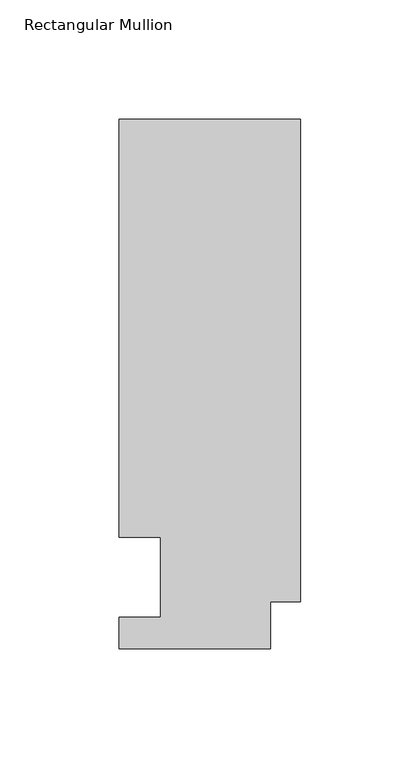
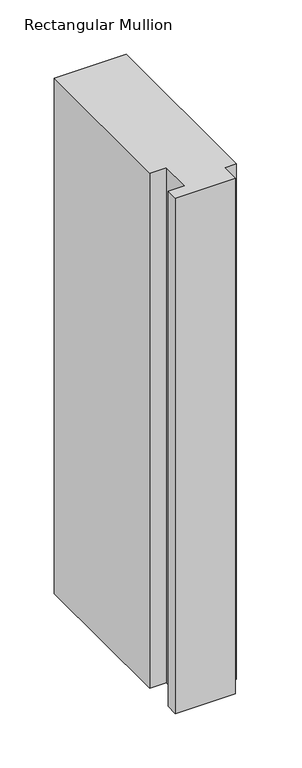
"""IFC4 building model written with IfcOpenShell, lengths in millimetres: member geometry, Rectangular Mullion."""

from ifc_helpers import new_model, si_unit, frame, origin, place, context, project, spatial, polyline, outline, extrude, source, transform, mapped, element, save


def rectangular_mullion_f6fed55e(model_context):
    return source(origin(), model_context, "Body", "SweptSolid", [
        extrude(outline(polyline([(0.0, 222.0301312), (0.0, 19.5667312), (-12.7, 19.5667312), (-12.7, 0.041758), (-76.2, 0.041758), (-76.2, 13.224358), (-58.7375002, 13.224358), (-58.7375002, 46.7447302), (-76.2000001, 46.7447302), (-76.2000001, 222.0301312), (0.0, 222.0301312)])), frame((0.0, 0.0, -577.8499998), z_axis=(0.0, 0.0, 1.0), x_axis=(1.0, 0.0, 0.0)), (0.0, 0.0, 1.0), 577.8499998),
    ])


if __name__ == "__main__":
    model = new_model("IFC4")
    model_context = context("Model", 3, world=origin())
    ifc_project = project(units=[si_unit("LENGTHUNIT", "METRE", prefix="MILLI")], contexts=[model_context])
    site = spatial("IfcSite", under=ifc_project)
    building = spatial("IfcBuilding", under=site)
    placement = place(None, origin())
    rectangular_mullion_shape = rectangular_mullion_f6fed55e(model_context)
    element("IfcMember", 1, ObjectType="Rectangular Mullion", at=placement, inside=building, context=model_context, shape_type="MappedRepresentation", body=[
        mapped(rectangular_mullion_shape, transform((0.0, 0.0, 0.0), x_axis=(1.0, 0.0, 0.0), y_axis=(0.0, 1.0, 0.0), z_axis=(0.0, 0.0, 1.0))),
    ])
    save(model, "model.ifc")
